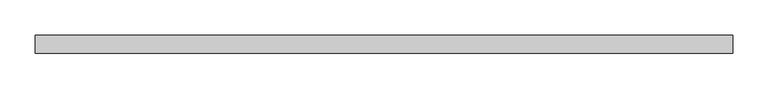
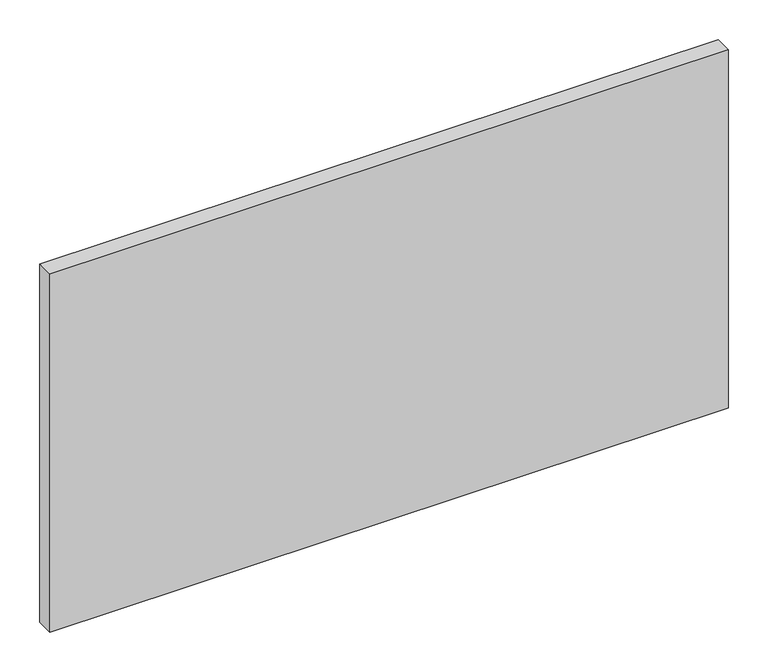
"""IFC4 building model written with IfcOpenShell, lengths in millimetres: plate geometry."""

from ifc_helpers import new_model, si_unit, origin, origin_with_axes, place, context, project, spatial, polyline, outline, extrude, source, transform, mapped, element, save


def plate_18811be5(model_context):
    return source(origin(), model_context, "Body", "SweptSolid", [
        extrude(outline(polyline([(492.5, -12.5), (-492.5, -12.5), (-492.5, 12.5), (492.5, 12.5), (492.5, -12.5)])), origin_with_axes(), (0.0, 0.0, 1.0), 550.0),
    ])


if __name__ == "__main__":
    model = new_model("IFC4")
    model_context = context("Model", 3, world=origin())
    ifc_project = project(units=[si_unit("LENGTHUNIT", "METRE", prefix="MILLI")], contexts=[model_context])
    site = spatial("IfcSite", under=ifc_project)
    building = spatial("IfcBuilding", under=site)
    placement = place(None, origin())
    plate_shape = plate_18811be5(model_context)
    element("IfcPlate", 1, at=placement, inside=building, context=model_context, shape_type="MappedRepresentation", body=[
        mapped(plate_shape, transform((0.0, 0.0, 0.0), x_axis=(1.0, 0.0, 0.0), y_axis=(0.0, 1.0, 0.0), z_axis=(0.0, 0.0, 1.0))),
    ])
    save(model, "model.ifc")
